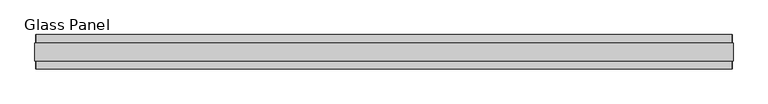
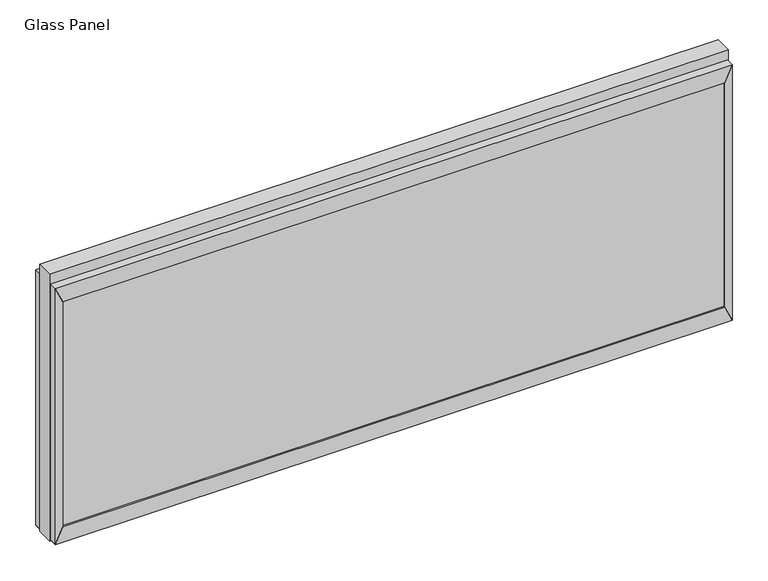
"""IFC4 building model written with IfcOpenShell, lengths in millimetres: plate geometry, Glass Panel."""

import ifcopenshell
import ifcopenshell.guid

model = None  # the IFC model being written
_history = None  # IfcOwnerHistory: only IFC2X3 demands one
_inside = {}  # id of a spatial element -> (the spatial element, [elements in it])
_under = {}  # id of a project, library or spatial element -> (it, [spatial elements below it])
_declared = {}  # id of a project -> (the project, [libraries it declares])
_typed = {}  # id of a type object -> (the type object, [elements of that type])
_made_of = {}  # id of a material, layer set ... -> (it, [elements and type objects made of it])


def new_model(schema):
    """Start an empty IFC model of exactly this schema.

    Asked for "IFC4X3", IfcOpenShell would pick the latest addendum, in which some entities
    have other attributes; the version numbers below select the first issue.
    IFC2X3 requires an IfcOwnerHistory on every rooted entity: one is made here for all.
    """
    global model, _history
    if schema == "IFC4X3":
        model = ifcopenshell.file(schema_version=(4, 3, 0, 0))
    else:
        model = ifcopenshell.file(schema=schema)
    _inside.clear()
    _under.clear()
    _declared.clear()
    _typed.clear()
    _made_of.clear()
    _history = None
    if model.schema == "IFC2X3":
        org = make("IfcOrganization", Name="unknown")
        user = make(
            "IfcPersonAndOrganization",
            ThePerson=make("IfcPerson", FamilyName="unknown"),
            TheOrganization=org,
        )
        app = make(
            "IfcApplication",
            ApplicationDeveloper=org,
            Version="unknown",
            ApplicationFullName="unknown",
            ApplicationIdentifier="unknown",
        )
        _history = make(
            "IfcOwnerHistory",
            OwningUser=user,
            OwningApplication=app,
            ChangeAction="ADDED",
            CreationDate=0,
        )
    return model


def make(cls, **values):
    """One entity of the class cls with the attributes given. An attribute that is None is left unset."""
    return model.create_entity(
        cls, **{name: value for name, value in values.items() if value is not None}
    )


def rooted(cls, **values):
    """An entity with a GlobalId (a new one), such as an element, a storey or a relation."""
    return make(cls, GlobalId=ifcopenshell.guid.new(), OwnerHistory=_history, **values)


def si_unit(unit_type, name, prefix=None):
    """IfcSIUnit, for example si_unit("LENGTHUNIT", "METRE", prefix="MILLI")."""
    return make("IfcSIUnit", UnitType=unit_type, Prefix=prefix, Name=name)


def assignment(units):
    """IfcUnitAssignment: the units of a project."""
    return None if units is None else make("IfcUnitAssignment", Units=units)


def point(xyz):
    """IfcCartesianPoint."""
    return None if xyz is None else make("IfcCartesianPoint", Coordinates=xyz)


def direction(xyz):
    """IfcDirection."""
    return None if xyz is None else make("IfcDirection", DirectionRatios=xyz)


def frame(location, z_axis=None, x_axis=None):
    """IfcAxis2Placement3D, a coordinate frame: its origin and axes. An axis left out is left unset."""
    return make(
        "IfcAxis2Placement3D",
        Location=point(location),
        Axis=direction(z_axis),
        RefDirection=direction(x_axis),
    )


def origin():
    """The frame at (0, 0, 0) with its axes left unset."""
    return frame((0.0, 0.0, 0.0))


def place(relative_to, where):
    """IfcLocalPlacement: puts the frame where relative to a parent placement (None: the world)."""
    return make(
        "IfcLocalPlacement", PlacementRelTo=relative_to, RelativePlacement=where
    )


def context(
    kind, dimensions, precision=None, world=None, true_north=None, identifier=None
):
    """IfcGeometricRepresentationContext, for example the 3D "Model" context."""
    return make(
        "IfcGeometricRepresentationContext",
        ContextIdentifier=identifier,
        ContextType=kind,
        CoordinateSpaceDimension=dimensions,
        Precision=precision,
        WorldCoordinateSystem=world,
        TrueNorth=true_north,
    )


def project(units=None, contexts=None):
    """IfcProject with its units and contexts."""
    return rooted(
        "IfcProject",
        Name="project",
        RepresentationContexts=contexts,
        UnitsInContext=assignment(units),
    )


def spatial(cls, under=None, at=None, **own):
    """A site, building, storey or space (cls), placed at a placement, below another one or the project."""
    s = rooted(cls, ObjectPlacement=at, **own)
    if under is not None:
        _under.setdefault(under.id(), (under, []))[1].append(s)
    return s


def polyline(points):
    """IfcPolyline through the points."""
    return make("IfcPolyline", Points=[point(p) for p in points])


def outline(outer, holes=None, kind="AREA"):
    """IfcArbitraryClosedProfileDef: a profile drawn as a closed curve; with holes, ...WithVoids."""
    if holes is None:
        return make("IfcArbitraryClosedProfileDef", ProfileType=kind, OuterCurve=outer)
    return make(
        "IfcArbitraryProfileDefWithVoids",
        ProfileType=kind,
        OuterCurve=outer,
        InnerCurves=holes,
    )


def extrude(swept, where, along, depth):
    """IfcExtrudedAreaSolid: the profile swept, set in the frame where, extruded along a direction by depth."""
    return make(
        "IfcExtrudedAreaSolid",
        SweptArea=swept,
        Position=where,
        ExtrudedDirection=direction(along),
        Depth=depth,
    )


def shape(context_of_items, identifier, shape_type, items):
    """IfcShapeRepresentation: the items that make up one representation, for example the "Body"."""
    return make(
        "IfcShapeRepresentation",
        ContextOfItems=context_of_items,
        RepresentationIdentifier=identifier,
        RepresentationType=shape_type,
        Items=items,
    )


def source(mapping_origin, context_of_items, identifier, shape_type, items):
    """IfcRepresentationMap: a shape defined once, which mapped items show again and again."""
    return make(
        "IfcRepresentationMap",
        MappingOrigin=mapping_origin,
        MappedRepresentation=shape(context_of_items, identifier, shape_type, items),
    )


def transform(
    local_origin,
    x_axis=None,
    y_axis=None,
    z_axis=None,
    scale=None,
    scale2=None,
    scale3=None,
    uniform=True,
):
    """IfcCartesianTransformationOperator3D, or its non-uniform kind. x_axis, y_axis, z_axis: its Axis1, 2, 3."""
    if uniform:
        return make(
            "IfcCartesianTransformationOperator3D",
            Axis1=direction(x_axis),
            Axis2=direction(y_axis),
            LocalOrigin=point(local_origin),
            Scale=scale,
            Axis3=direction(z_axis),
        )
    return make(
        "IfcCartesianTransformationOperator3DnonUniform",
        Axis1=direction(x_axis),
        Axis2=direction(y_axis),
        LocalOrigin=point(local_origin),
        Scale=scale,
        Axis3=direction(z_axis),
        Scale2=scale2,
        Scale3=scale3,
    )


def mapped(mapping_source, mapping_target):
    """IfcMappedItem: shows the shape of a source again, moved by a transform."""
    return make(
        "IfcMappedItem", MappingSource=mapping_source, MappingTarget=mapping_target
    )


def made_of(thing, what):
    """Note that an element or type object is made of a material, layer set ...; save() writes the relation."""
    if what is not None:
        _made_of.setdefault(what.id(), (what, []))[1].append(thing)
    return thing


def element(
    cls,
    number,
    at=None,
    inside=None,
    cuts=None,
    type_object=None,
    material=None,
    context=None,
    identifier="Body",
    shape_type=None,
    held_by="IfcProductDefinitionShape",
    body=None,
    shapes=None,
    **own,
):
    """One element of the class cls, such as IfcWall. Its Tag is "e" and its number.

    at: its placement. inside: the storey or other place that contains it. cuts: it is an
    opening in that element (IfcRelVoidsElement). A single representation is given by context,
    identifier, shape_type and body (its items); several are given by shapes. held_by: the class
    of the entity that holds the representations. save() writes the other relations.
    """
    e = rooted(cls, Tag="e%d" % number, ObjectPlacement=at, **own)
    if body is not None:
        shapes = [shape(context, identifier, shape_type, body)]
    if shapes is not None:
        e.Representation = make(held_by, Representations=shapes)
    if inside is not None:
        _inside.setdefault(inside.id(), (inside, []))[1].append(e)
    if cuts is not None:
        rooted(
            "IfcRelVoidsElement", RelatingBuildingElement=cuts, RelatedOpeningElement=e
        )
    if type_object is not None:
        _typed.setdefault(type_object.id(), (type_object, []))[1].append(e)
    return made_of(e, material)


def aggregate(whole, parts):
    """IfcRelAggregates: a whole, such as a stair, and the parts it consists of."""
    return rooted("IfcRelAggregates", RelatingObject=whole, RelatedObjects=parts)


def save(model, path):
    """Write the relations noted so far, then the file.

    IfcRelAggregates (storeys below a building ...), IfcRelContainedInSpatialStructure (elements
    in a storey), IfcRelDefinesByType, IfcRelAssociatesMaterial and IfcRelDeclares: one each for
    every whole, place, type object, material and project.
    """
    for whole, parts in _under.values():
        aggregate(whole, parts)
    for where, things in _inside.values():
        rooted(
            "IfcRelContainedInSpatialStructure",
            RelatedElements=things,
            RelatingStructure=where,
        )
    for kind, things in _typed.values():
        rooted("IfcRelDefinesByType", RelatedObjects=things, RelatingType=kind)
    for what, things in _made_of.values():
        rooted("IfcRelAssociatesMaterial", RelatedObjects=things, RelatingMaterial=what)
    for by, libraries in _declared.values():
        rooted("IfcRelDeclares", RelatingContext=by, RelatedDefinitions=libraries)
    model.write(path)


def glass_panel_313be698(model_context):
    return source(origin(), model_context, "Body", "SweptSolid", [
        extrude(outline(polyline([(987.7933, -45.1096), (-987.7933, -45.1096), (-987.7933, -33.6796), (987.7933, -33.6796), (987.7933, -45.1096)])), frame((0.0, 0.0, 52.0065), z_axis=(0.0, 0.0, 1.0), x_axis=(1.0, 0.0, 0.0)), (0.0, 0.0, 1.0), 709.0029),
        extrude(outline(polyline([(987.7933, 33.9098), (-987.7933, 33.9098), (-987.7933, 45.3398), (987.7933, 45.3398), (987.7933, 33.9098)])), frame((0.0, 0.0, 52.0065), z_axis=(0.0, 0.0, 1.0), x_axis=(1.0, 0.0, 0.0)), (0.0, 0.0, 1.0), 709.0029),
        extrude(outline(polyline([(52.0065, 987.7933), (52.0065, -987.7933), (3.0099, -1009.7897), (3.0099, 1009.7897), (52.0065, 987.7933)])), frame((0.0, -49.9229, 0.0), z_axis=(0.0, 1.0, 0.0), x_axis=(0.0, 0.0, 1.0)), (0.0, 0.0, 1.0), 100.076),
        extrude(outline(polyline([(761.0094, 987.7933), (810.006, 1009.7897), (810.006, -1009.7897), (761.0094, -987.7933), (761.0094, 987.7933)])), frame((0.0, -49.9229, 0.0), z_axis=(0.0, 1.0, 0.0), x_axis=(0.0, 0.0, 1.0)), (0.0, 0.0, 1.0), 100.076),
        extrude(outline(polyline([(52.0065, 987.7933), (3.0099, 1009.7897), (810.006, 1009.7897), (761.0094, 987.7933), (52.0065, 987.7933)])), frame((0.0, -49.9229, 0.0), z_axis=(0.0, 1.0, 0.0), x_axis=(0.0, 0.0, 1.0)), (0.0, 0.0, 1.0), 100.076),
        extrude(outline(polyline([(52.0065, -987.7933), (761.0094, -987.7933), (810.006, -1009.7897), (3.0099, -1009.7897), (52.0065, -987.7933)])), frame((0.0, -49.9229, 0.0), z_axis=(0.0, 1.0, 0.0), x_axis=(0.0, 0.0, 1.0)), (0.0, 0.0, 1.0), 100.076),
        extrude(outline(polyline([(0.0, -1012.7869), (0.0, 1012.7869), (842.01, 1012.7869), (842.01, -1012.7869), (0.0, -1012.7869)]), holes=[polyline([(3.0099, 1009.7897), (3.0099, -1009.7897), (810.006, -1009.7897), (810.006, 1009.7897), (3.0099, 1009.7897)])]), frame((0.0, -25.8818, 0.0), z_axis=(0.0, 1.0, 0.0), x_axis=(0.0, 0.0, 1.0)), (0.0, 0.0, 1.0), 51.9938),
    ])


if __name__ == "__main__":
    model = new_model("IFC4")
    model_context = context("Model", 3, world=origin())
    ifc_project = project(units=[si_unit("LENGTHUNIT", "METRE", prefix="MILLI")], contexts=[model_context])
    site = spatial("IfcSite", under=ifc_project)
    building = spatial("IfcBuilding", under=site)
    placement = place(None, origin())
    glass_panel_shape = glass_panel_313be698(model_context)
    element("IfcPlate", 1, ObjectType="Glass Panel", at=placement, inside=building, context=model_context, shape_type="MappedRepresentation", body=[
        mapped(glass_panel_shape, transform((0.0, 0.0, 0.0), x_axis=(1.0, 0.0, 0.0), y_axis=(0.0, 1.0, 0.0), z_axis=(0.0, 0.0, 1.0))),
    ])
    save(model, "model.ifc")
